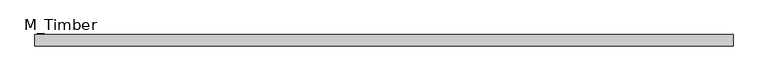
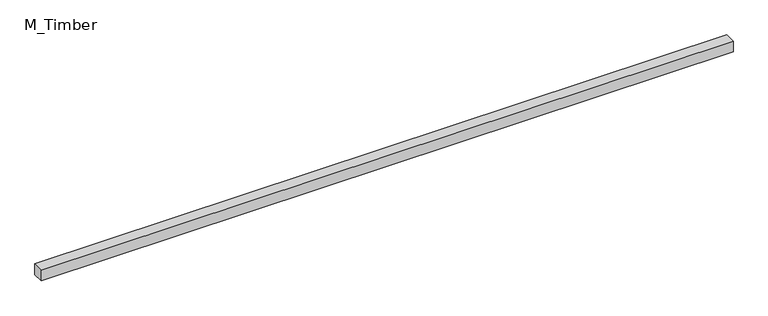
"""IFC4 building model written with IfcOpenShell, lengths in millimetres: beam geometry, M_Timber."""

import ifcopenshell
import ifcopenshell.guid

model = None  # the IFC model being written
_history = None  # IfcOwnerHistory: only IFC2X3 demands one
_inside = {}  # id of a spatial element -> (the spatial element, [elements in it])
_under = {}  # id of a project, library or spatial element -> (it, [spatial elements below it])
_declared = {}  # id of a project -> (the project, [libraries it declares])
_typed = {}  # id of a type object -> (the type object, [elements of that type])
_made_of = {}  # id of a material, layer set ... -> (it, [elements and type objects made of it])


def new_model(schema):
    """Start an empty IFC model of exactly this schema.

    Asked for "IFC4X3", IfcOpenShell would pick the latest addendum, in which some entities
    have other attributes; the version numbers below select the first issue.
    IFC2X3 requires an IfcOwnerHistory on every rooted entity: one is made here for all.
    """
    global model, _history
    if schema == "IFC4X3":
        model = ifcopenshell.file(schema_version=(4, 3, 0, 0))
    else:
        model = ifcopenshell.file(schema=schema)
    _inside.clear()
    _under.clear()
    _declared.clear()
    _typed.clear()
    _made_of.clear()
    _history = None
    if model.schema == "IFC2X3":
        org = make("IfcOrganization", Name="unknown")
        user = make(
            "IfcPersonAndOrganization",
            ThePerson=make("IfcPerson", FamilyName="unknown"),
            TheOrganization=org,
        )
        app = make(
            "IfcApplication",
            ApplicationDeveloper=org,
            Version="unknown",
            ApplicationFullName="unknown",
            ApplicationIdentifier="unknown",
        )
        _history = make(
            "IfcOwnerHistory",
            OwningUser=user,
            OwningApplication=app,
            ChangeAction="ADDED",
            CreationDate=0,
        )
    return model


def make(cls, **values):
    """One entity of the class cls with the attributes given. An attribute that is None is left unset."""
    return model.create_entity(
        cls, **{name: value for name, value in values.items() if value is not None}
    )


def rooted(cls, **values):
    """An entity with a GlobalId (a new one), such as an element, a storey or a relation."""
    return make(cls, GlobalId=ifcopenshell.guid.new(), OwnerHistory=_history, **values)


def si_unit(unit_type, name, prefix=None):
    """IfcSIUnit, for example si_unit("LENGTHUNIT", "METRE", prefix="MILLI")."""
    return make("IfcSIUnit", UnitType=unit_type, Prefix=prefix, Name=name)


def assignment(units):
    """IfcUnitAssignment: the units of a project."""
    return None if units is None else make("IfcUnitAssignment", Units=units)


def point(xyz):
    """IfcCartesianPoint."""
    return None if xyz is None else make("IfcCartesianPoint", Coordinates=xyz)


def direction(xyz):
    """IfcDirection."""
    return None if xyz is None else make("IfcDirection", DirectionRatios=xyz)


def frame(location, z_axis=None, x_axis=None):
    """IfcAxis2Placement3D, a coordinate frame: its origin and axes. An axis left out is left unset."""
    return make(
        "IfcAxis2Placement3D",
        Location=point(location),
        Axis=direction(z_axis),
        RefDirection=direction(x_axis),
    )


def origin():
    """The frame at (0, 0, 0) with its axes left unset."""
    return frame((0.0, 0.0, 0.0))


def place(relative_to, where):
    """IfcLocalPlacement: puts the frame where relative to a parent placement (None: the world)."""
    return make(
        "IfcLocalPlacement", PlacementRelTo=relative_to, RelativePlacement=where
    )


def context(
    kind, dimensions, precision=None, world=None, true_north=None, identifier=None
):
    """IfcGeometricRepresentationContext, for example the 3D "Model" context."""
    return make(
        "IfcGeometricRepresentationContext",
        ContextIdentifier=identifier,
        ContextType=kind,
        CoordinateSpaceDimension=dimensions,
        Precision=precision,
        WorldCoordinateSystem=world,
        TrueNorth=true_north,
    )


def project(units=None, contexts=None):
    """IfcProject with its units and contexts."""
    return rooted(
        "IfcProject",
        Name="project",
        RepresentationContexts=contexts,
        UnitsInContext=assignment(units),
    )


def spatial(cls, under=None, at=None, **own):
    """A site, building, storey or space (cls), placed at a placement, below another one or the project."""
    s = rooted(cls, ObjectPlacement=at, **own)
    if under is not None:
        _under.setdefault(under.id(), (under, []))[1].append(s)
    return s


def polyline(points):
    """IfcPolyline through the points."""
    return make("IfcPolyline", Points=[point(p) for p in points])


def outline(outer, holes=None, kind="AREA"):
    """IfcArbitraryClosedProfileDef: a profile drawn as a closed curve; with holes, ...WithVoids."""
    if holes is None:
        return make("IfcArbitraryClosedProfileDef", ProfileType=kind, OuterCurve=outer)
    return make(
        "IfcArbitraryProfileDefWithVoids",
        ProfileType=kind,
        OuterCurve=outer,
        InnerCurves=holes,
    )


def extrude(swept, where, along, depth):
    """IfcExtrudedAreaSolid: the profile swept, set in the frame where, extruded along a direction by depth."""
    return make(
        "IfcExtrudedAreaSolid",
        SweptArea=swept,
        Position=where,
        ExtrudedDirection=direction(along),
        Depth=depth,
    )


def shape(context_of_items, identifier, shape_type, items):
    """IfcShapeRepresentation: the items that make up one representation, for example the "Body"."""
    return make(
        "IfcShapeRepresentation",
        ContextOfItems=context_of_items,
        RepresentationIdentifier=identifier,
        RepresentationType=shape_type,
        Items=items,
    )


def source(mapping_origin, context_of_items, identifier, shape_type, items):
    """IfcRepresentationMap: a shape defined once, which mapped items show again and again."""
    return make(
        "IfcRepresentationMap",
        MappingOrigin=mapping_origin,
        MappedRepresentation=shape(context_of_items, identifier, shape_type, items),
    )


def transform(
    local_origin,
    x_axis=None,
    y_axis=None,
    z_axis=None,
    scale=None,
    scale2=None,
    scale3=None,
    uniform=True,
):
    """IfcCartesianTransformationOperator3D, or its non-uniform kind. x_axis, y_axis, z_axis: its Axis1, 2, 3."""
    if uniform:
        return make(
            "IfcCartesianTransformationOperator3D",
            Axis1=direction(x_axis),
            Axis2=direction(y_axis),
            LocalOrigin=point(local_origin),
            Scale=scale,
            Axis3=direction(z_axis),
        )
    return make(
        "IfcCartesianTransformationOperator3DnonUniform",
        Axis1=direction(x_axis),
        Axis2=direction(y_axis),
        LocalOrigin=point(local_origin),
        Scale=scale,
        Axis3=direction(z_axis),
        Scale2=scale2,
        Scale3=scale3,
    )


def mapped(mapping_source, mapping_target):
    """IfcMappedItem: shows the shape of a source again, moved by a transform."""
    return make(
        "IfcMappedItem", MappingSource=mapping_source, MappingTarget=mapping_target
    )


def made_of(thing, what):
    """Note that an element or type object is made of a material, layer set ...; save() writes the relation."""
    if what is not None:
        _made_of.setdefault(what.id(), (what, []))[1].append(thing)
    return thing


def element(
    cls,
    number,
    at=None,
    inside=None,
    cuts=None,
    type_object=None,
    material=None,
    context=None,
    identifier="Body",
    shape_type=None,
    held_by="IfcProductDefinitionShape",
    body=None,
    shapes=None,
    **own,
):
    """One element of the class cls, such as IfcWall. Its Tag is "e" and its number.

    at: its placement. inside: the storey or other place that contains it. cuts: it is an
    opening in that element (IfcRelVoidsElement). A single representation is given by context,
    identifier, shape_type and body (its items); several are given by shapes. held_by: the class
    of the entity that holds the representations. save() writes the other relations.
    """
    e = rooted(cls, Tag="e%d" % number, ObjectPlacement=at, **own)
    if body is not None:
        shapes = [shape(context, identifier, shape_type, body)]
    if shapes is not None:
        e.Representation = make(held_by, Representations=shapes)
    if inside is not None:
        _inside.setdefault(inside.id(), (inside, []))[1].append(e)
    if cuts is not None:
        rooted(
            "IfcRelVoidsElement", RelatingBuildingElement=cuts, RelatedOpeningElement=e
        )
    if type_object is not None:
        _typed.setdefault(type_object.id(), (type_object, []))[1].append(e)
    return made_of(e, material)


def aggregate(whole, parts):
    """IfcRelAggregates: a whole, such as a stair, and the parts it consists of."""
    return rooted("IfcRelAggregates", RelatingObject=whole, RelatedObjects=parts)


def save(model, path):
    """Write the relations noted so far, then the file.

    IfcRelAggregates (storeys below a building ...), IfcRelContainedInSpatialStructure (elements
    in a storey), IfcRelDefinesByType, IfcRelAssociatesMaterial and IfcRelDeclares: one each for
    every whole, place, type object, material and project.
    """
    for whole, parts in _under.values():
        aggregate(whole, parts)
    for where, things in _inside.values():
        rooted(
            "IfcRelContainedInSpatialStructure",
            RelatedElements=things,
            RelatingStructure=where,
        )
    for kind, things in _typed.values():
        rooted("IfcRelDefinesByType", RelatedObjects=things, RelatingType=kind)
    for what, things in _made_of.values():
        rooted("IfcRelAssociatesMaterial", RelatedObjects=things, RelatingMaterial=what)
    for by, libraries in _declared.values():
        rooted("IfcRelDeclares", RelatingContext=by, RelatedDefinitions=libraries)
    model.write(path)


def m_timber_c472da3a(model_context):
    return source(origin(), model_context, "Body", "SweptSolid", [
        extrude(outline(polyline([(1238.292678, 20.0), (1238.292678, -20.0), (-1238.292678, -20.0), (-1238.292678, 20.0), (1238.292678, 20.0)])), frame((0.0, 0.0, -20.0), z_axis=(0.0, 0.0, 1.0), x_axis=(1.0, 0.0, 0.0)), (0.0, 0.0, 1.0), 40.0),
    ])


if __name__ == "__main__":
    model = new_model("IFC4")
    model_context = context("Model", 3, world=origin())
    ifc_project = project(units=[si_unit("LENGTHUNIT", "METRE", prefix="MILLI")], contexts=[model_context])
    site = spatial("IfcSite", under=ifc_project)
    building = spatial("IfcBuilding", under=site)
    placement = place(None, origin())
    m_timber_shape = m_timber_c472da3a(model_context)
    element("IfcBeam", 1, ObjectType="M_Timber", at=placement, inside=building, context=model_context, shape_type="MappedRepresentation", body=[
        mapped(m_timber_shape, transform((0.0, 0.0, 0.0), x_axis=(1.0, 0.0, 0.0), y_axis=(0.0, 1.0, 0.0), z_axis=(0.0, 0.0, 1.0))),
    ])
    save(model, "model.ifc")
